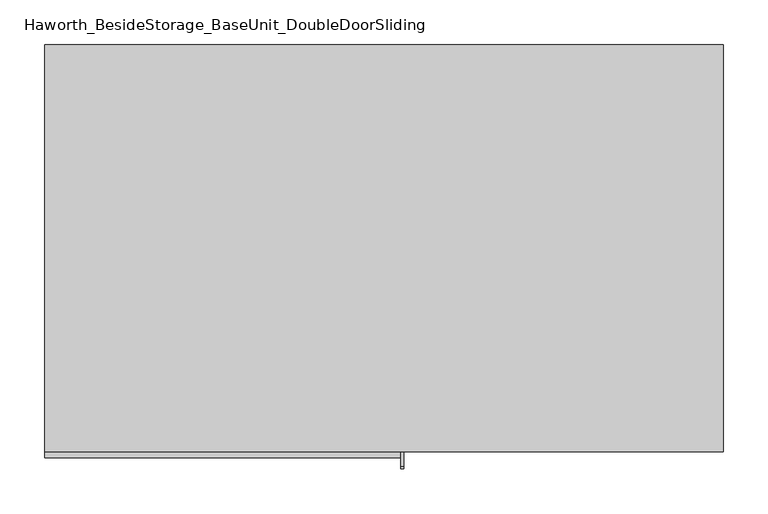
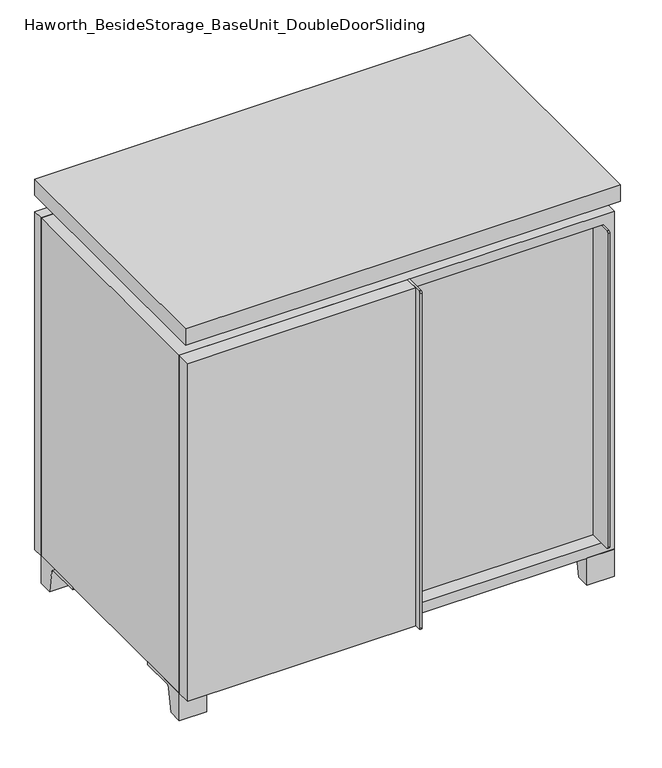
"""IFC4 building model written with IfcOpenShell, lengths in millimetres: furniture geometry, Haworth_BesideStorage_BaseUnit_DoubleDoorSliding."""

from ifc_helpers import new_model, si_unit, point, frame, frame_2d, origin, place, context, project, spatial, polyline, circle_curve, trimmed, segment, composite_curve, outline, extrude, faceted_brep, source, transform, mapped, element, save


def haworth_besidestorage_baseunit_doubledoorsliding_c70b0190(model_context):
    return source(origin(), model_context, "Body", "SolidModel", [
        extrude(outline(polyline([(9.5319453, 241.3), (361.9569453, 241.3), (361.9569453, -92.075), (9.5319453, -92.075), (9.5319453, 241.3)])), frame((0.0, 0.0, 354.0125), z_axis=(0.0, 0.0, 1.0), x_axis=(1.0, 0.0, 0.0)), (0.0, 0.0, 1.0), 19.05),
        extrude(outline(polyline([(-9.5041641, 241.3), (-9.5041641, -92.075), (-361.9291641, -92.075), (-361.9291641, 241.3), (-9.5041641, 241.3)])), frame((0.0, 0.0, 354.0125), z_axis=(0.0, 0.0, 1.0), x_axis=(1.0, 0.0, 0.0)), (0.0, 0.0, 1.0), 19.05),
        extrude(outline(composite_curve([segment(polyline([(-95.25, 657.225), (-95.25, 69.85), (-161.925, 69.85)]), True, "CONTINUOUS"), segment(trimmed(circle_curve(frame_2d((-161.925, 73.025)), 3.175), [point((-161.925, 69.85))], [point((-165.1, 73.025))], False, "CARTESIAN"), True, "CONTINUOUS"), segment(polyline([(-165.1, 73.025), (-165.1, 654.05)]), True, "CONTINUOUS"), segment(trimmed(circle_curve(frame_2d((-161.925, 654.05)), 3.175), [point((-165.1, 654.05))], [point((-161.925, 657.225))], False, "CARTESIAN"), True, "CONTINUOUS"), segment(polyline([(-161.925, 657.225), (-95.25, 657.225)]), True, "CONTINUOUS")], self_intersect=False)), frame((358.7819453, 0.0, 0.0), z_axis=(1.0, 0.0, 0.0), x_axis=(0.0, 1.0, 0.0)), (0.0, 0.0, 1.0), 3.175),
        extrude(outline(polyline([(15.8819453, -95.25), (358.7819453, -95.25), (358.7819453, -120.65), (15.8819453, -120.65), (15.8819453, -95.25)])), frame((0.0, 0.0, 69.85), z_axis=(0.0, 0.0, 1.0), x_axis=(1.0, 0.0, 0.0)), (0.0, 0.0, 1.0), 587.375),
        extrude(outline(polyline([(381.0138906, 292.1), (381.0138906, -165.1), (-380.9861094, -165.1), (-380.9861094, 292.1), (381.0138906, 292.1)])), frame((0.0, 0.0, 706.4375), z_axis=(0.0, 0.0, 1.0), x_axis=(1.0, 0.0, 0.0)), (0.0, 0.0, 1.0), 30.1625),
        extrude(outline(composite_curve([segment(polyline([(-146.05, 676.275), (-146.05, 50.8), (-180.975, 50.8)]), True, "CONTINUOUS"), segment(trimmed(circle_curve(frame_2d((-180.975, 53.975)), 3.175), [point((-180.975, 50.8))], [point((-184.15, 53.975))], False, "CARTESIAN"), True, "CONTINUOUS"), segment(polyline([(-184.15, 53.975), (-184.15, 673.1)]), True, "CONTINUOUS"), segment(trimmed(circle_curve(frame_2d((-180.975, 673.1)), 3.175), [point((-184.15, 673.1))], [point((-180.975, 676.275))], False, "CARTESIAN"), True, "CONTINUOUS"), segment(polyline([(-180.975, 676.275), (-146.05, 676.275)]), True, "CONTINUOUS")], self_intersect=False)), frame((19.0638906, 0.0, 0.0), z_axis=(1.0, 0.0, 0.0), x_axis=(0.0, 1.0, 0.0)), (0.0, 0.0, 1.0), 3.175),
        extrude(outline(polyline([(-380.9861094, -146.05), (19.0638906, -146.05), (19.0638906, -171.45), (-380.9861094, -171.45), (-380.9861094, -146.05)])), frame((0.0, 0.0, 50.8), z_axis=(0.0, 0.0, 1.0), x_axis=(1.0, 0.0, 0.0)), (0.0, 0.0, 1.0), 625.475),
        extrude(outline(composite_curve([segment(polyline([(-120.6500136, 0.0), (-146.05, 0.0), (-146.05, 50.8), (-50.8, 50.8), (-50.8, 46.0213321), (-107.6005345, 46.0213321)]), True, "CONTINUOUS"), segment(trimmed(circle_curve(frame_2d((-107.6005345, 39.6713321)), 6.35), [point((-107.6005345, 46.0213321))], [point((-113.8641359, 40.7152656))], True, "CARTESIAN"), True, "CONTINUOUS"), segment(polyline([(-113.8641359, 40.7152656), (-120.6500136, 0.0)]), True, "CONTINUOUS")], self_intersect=False)), frame((333.3888906, 0.0, 0.0), z_axis=(1.0, 0.0, 0.0), x_axis=(0.0, 1.0, 0.0)), (0.0, 0.0, 1.0), 47.625),
        extrude(outline(composite_curve([segment(polyline([(247.6500136, 0.0), (240.8641359, 40.7152656)]), True, "CONTINUOUS"), segment(trimmed(circle_curve(frame_2d((234.6005345, 39.6713321)), 6.35), [point((240.8641359, 40.7152656))], [point((234.6005345, 46.0213321))], True, "CARTESIAN"), True, "CONTINUOUS"), segment(polyline([(234.6005345, 46.0213321), (177.8, 46.0213321), (177.8, 50.8), (273.05, 50.8), (273.05, 0.0), (247.6500136, 0.0)]), True, "CONTINUOUS")], self_intersect=False)), frame((333.3888906, 0.0, 0.0), z_axis=(1.0, 0.0, 0.0), x_axis=(0.0, 1.0, 0.0)), (0.0, 0.0, 1.0), 47.625),
        extrude(outline(composite_curve([segment(polyline([(-120.6500136, 0.0), (-146.05, 0.0), (-146.05, 50.8), (-50.8, 50.8), (-50.8, 46.0213321), (-107.6005345, 46.0213321)]), True, "CONTINUOUS"), segment(trimmed(circle_curve(frame_2d((-107.6005345, 39.6713321)), 6.35), [point((-107.6005345, 46.0213321))], [point((-113.8641359, 40.7152656))], True, "CARTESIAN"), True, "CONTINUOUS"), segment(polyline([(-113.8641359, 40.7152656), (-120.6500136, 0.0)]), True, "CONTINUOUS")], self_intersect=False)), frame((-380.9861094, 0.0, 0.0), z_axis=(1.0, 0.0, 0.0), x_axis=(0.0, 1.0, 0.0)), (0.0, 0.0, 1.0), 47.625),
        extrude(outline(composite_curve([segment(polyline([(247.6500136, 0.0), (240.8641359, 40.7152656)]), True, "CONTINUOUS"), segment(trimmed(circle_curve(frame_2d((234.6005345, 39.6713321)), 6.35), [point((240.8641359, 40.7152656))], [point((234.6005345, 46.0213321))], True, "CARTESIAN"), True, "CONTINUOUS"), segment(polyline([(234.6005345, 46.0213321), (177.8, 46.0213321), (177.8, 50.8), (273.05, 50.8), (273.05, 0.0), (247.6500136, 0.0)]), True, "CONTINUOUS")], self_intersect=False)), frame((-380.9861094, 0.0, 0.0), z_axis=(1.0, 0.0, 0.0), x_axis=(0.0, 1.0, 0.0)), (0.0, 0.0, 1.0), 47.625),
        faceted_brep([(7.9513906, -120.65, 706.4375), (7.9513906, -120.65, 676.275), (7.9513906, 53.975, 676.275), (7.9513906, 53.975, 706.4375), (7.9513906, 247.65, 676.275), (7.9513906, 247.65, 706.4375), (7.9513906, 73.025, 706.4375), (7.9513906, 73.025, 676.275), (-7.9236094, 247.65, 706.4375), (-7.9236094, 247.65, 676.275), (-7.9236094, 73.025, 676.275), (-7.9236094, 73.025, 706.4375), (-7.9236094, -120.65, 676.275), (-7.9236094, -120.65, 706.4375), (-7.9236094, 53.975, 706.4375), (-7.9236094, 53.975, 676.275), (-339.6833281, 73.025, 706.4375), (-339.7041641, 247.65, 706.4375), (-355.5791641, 247.65, 706.4375), (-355.5791641, -120.65, 706.4375), (-339.7041641, -120.65, 706.4375), (-339.7041641, 53.975, 706.4375), (339.7111094, 53.975, 706.4375), (339.7111094, -120.65, 706.4375), (355.5861094, -120.65, 706.4375), (355.5861094, 247.65, 706.4375), (339.7111094, 247.65, 706.4375), (339.7111094, 73.025, 706.4375), (-339.6833281, 53.975, 676.275), (-339.7041641, -120.65, 676.275), (-355.5791641, -120.65, 676.275), (-355.5791641, 247.65, 676.275), (-339.7041641, 247.65, 676.275), (-339.7041641, 73.025, 676.275), (339.7111094, 73.025, 676.275), (339.7111094, 247.65, 676.275), (355.5861094, 247.65, 676.275), (355.5861094, -120.65, 676.275), (339.7111094, -120.65, 676.275), (339.7111094, 53.975, 676.275)], [[[0, 1, 2, 3]], [[4, 5, 6, 7]], [[8, 9, 10, 11]], [[12, 13, 14, 15]], [[5, 8, 11, 16, 17, 18, 19, 20, 21, 14, 13, 0, 3, 22, 23, 24, 25, 26, 27, 6]], [[1, 12, 15, 28, 29, 30, 31, 32, 33, 10, 9, 4, 7, 34, 35, 36, 37, 38, 39, 2]], [[5, 4, 9, 8]], [[1, 0, 13, 12]], [[6, 27, 34, 7]], [[22, 3, 2, 39]], [[20, 29, 28, 21]], [[32, 17, 16, 33]], [[18, 31, 30, 19]], [[29, 20, 19, 30]], [[17, 32, 31, 18]], [[26, 35, 34, 27]], [[38, 23, 22, 39]], [[25, 24, 37, 36]], [[23, 38, 37, 24]], [[35, 26, 25, 36]], [[16, 11, 10, 33]], [[14, 21, 28, 15]]]),
        extrude(outline(polyline([(9.5388906, 241.3), (9.5388906, -95.25), (-9.5111094, -95.25), (-9.5111094, 241.3), (9.5388906, 241.3)])), frame((0.0, 0.0, 69.85), z_axis=(0.0, 0.0, 1.0), x_axis=(1.0, 0.0, 0.0)), (0.0, 0.0, 1.0), 587.375),
        extrude(outline(polyline([(15.8888906, -88.9), (15.8888906, -146.05), (-9.5111094, -146.05), (-9.5111094, -120.65), (3.1888906, -120.65), (3.1888906, -88.9), (15.8888906, -88.9)])), frame((0.0, 0.0, 69.85), z_axis=(0.0, 0.0, 1.0), x_axis=(1.0, 0.0, 0.0)), (0.0, 0.0, 1.0), 587.375),
        extrude(outline(polyline([(381.0138906, 273.05), (-380.9861094, 273.05), (-380.9861094, 292.1), (381.0138906, 292.1), (381.0138906, 273.05)])), frame((0.0, 0.0, 50.8), z_axis=(0.0, 0.0, 1.0), x_axis=(1.0, 0.0, 0.0)), (0.0, 0.0, 1.0), 625.475),
        extrude(outline(polyline([(50.8, -380.9861094), (50.8, 381.0), (676.275, 381.0), (676.275, -380.9861094), (50.8, -380.9861094)]), holes=[polyline([(69.85, -361.9361094), (657.225, -361.9361094), (657.225, 361.9361094), (69.85, 361.9361094), (69.85, -361.9361094)])]), frame((0.0, -146.05, 0.0), z_axis=(0.0, 1.0, 0.0), x_axis=(0.0, 0.0, 1.0)), (0.0, 0.0, 1.0), 419.1),
        extrude(outline(polyline([(-361.9291641, 241.3), (-361.9291641, 247.65), (361.9569453, 247.65), (361.9569453, 241.3), (-361.9291641, 241.3)])), frame((0.0, 0.0, 69.85), z_axis=(0.0, 0.0, 1.0), x_axis=(1.0, 0.0, 0.0)), (0.0, 0.0, 1.0), 587.375),
    ])


if __name__ == "__main__":
    model = new_model("IFC4")
    model_context = context("Model", 3, world=origin())
    ifc_project = project(units=[si_unit("LENGTHUNIT", "METRE", prefix="MILLI")], contexts=[model_context])
    site = spatial("IfcSite", under=ifc_project)
    building = spatial("IfcBuilding", under=site)
    placement = place(None, origin())
    haworth_besidestorage_baseunit_doubledoorsliding_shape = haworth_besidestorage_baseunit_doubledoorsliding_c70b0190(model_context)
    element("IfcFurniture", 1, ObjectType="Haworth_BesideStorage_BaseUnit_DoubleDoorSliding", at=placement, inside=building, context=model_context, shape_type="MappedRepresentation", body=[
        mapped(haworth_besidestorage_baseunit_doubledoorsliding_shape, transform((0.0, 0.0, 0.0), x_axis=(1.0, 0.0, 0.0), y_axis=(0.0, 1.0, 0.0), z_axis=(0.0, 0.0, 1.0))),
    ])
    save(model, "model.ifc")
